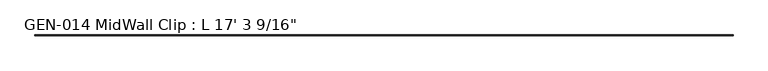
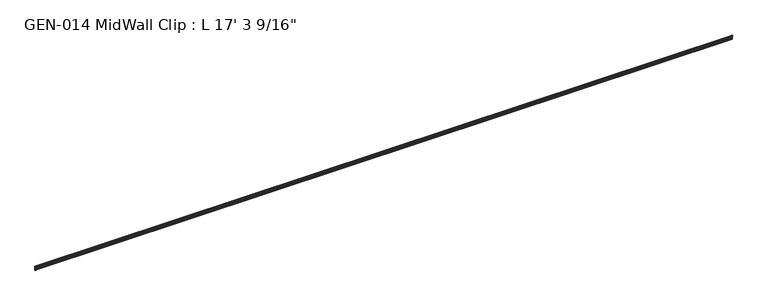
"""IFC4 building model written with IfcOpenShell, lengths in millimetres: proxy geometry."""

from ifc_helpers import new_model, si_unit, point, frame, frame_2d, origin, place, context, project, spatial, polyline, circle_curve, trimmed, segment, composite_curve, outline, extrude, source, transform, mapped, element, save


def proxy_7d245b25(model_context):
    return source(origin(), model_context, "Body", "SweptSolid", [
        extrude(outline(composite_curve([segment(polyline([(2.1386113, 32.1158903), (3.9735584, 32.6885982)]), True, "CONTINUOUS"), segment(trimmed(circle_curve(frame_2d((4.1838513, 32.2686835)), 0.4696291), [point((3.9735584, 32.6885982))], [point((4.6534804, 32.2686835))], False, "CARTESIAN"), True, "CONTINUOUS"), segment(polyline([(4.6534804, 32.2686835), (4.6534804, 30.7270734)]), True, "CONTINUOUS"), segment(trimmed(circle_curve(frame_2d((6.2409804, 30.7270734)), 1.5875), [point((4.6534804, 30.7270734))], [point((6.2409804, 29.1395734))], True, "CARTESIAN"), True, "CONTINUOUS"), segment(polyline([(6.2409804, 29.1395734), (7.5485426, 29.1395734), (7.5485426, 0.0), (4.055874, 0.0), (4.055874, 1.6102595)]), True, "CONTINUOUS"), segment(trimmed(circle_curve(frame_2d((4.0560426, 3.5152595)), 1.905), [point((4.055874, 1.6102595))], [point((5.9610426, 3.5152595))], True, "CARTESIAN"), True, "CONTINUOUS"), segment(polyline([(5.9610426, 3.5152595), (5.9610426, 4.6343152), (5.9610426, 12.4909614), (6.4702065, 13.408381), (6.4702065, 14.7485418), (5.9610426, 15.6659614), (5.9610426, 26.8535734)]), True, "CONTINUOUS"), segment(trimmed(circle_curve(frame_2d((5.4530426, 26.8535734)), 0.508), [point((5.9610426, 26.8535734))], [point((5.4361592, 27.3612928))], True, "CARTESIAN"), True, "CONTINUOUS"), segment(trimmed(circle_curve(frame_2d((5.4154804, 26.5995734)), 0.762), [point((5.4361592, 27.3612928))], [point((4.6764599, 26.4138515))], True, "CARTESIAN"), True, "CONTINUOUS"), segment(trimmed(circle_curve(frame_2d((4.1230664, 26.2747792)), 0.5706009), [point((4.6764599, 26.4138515))], [point((3.9349539, 25.7360779))], False, "CARTESIAN"), True, "CONTINUOUS"), segment(polyline([(3.9349539, 25.7360779), (2.1386113, 26.2967369)]), True, "CONTINUOUS"), segment(trimmed(circle_curve(frame_2d((3.0467234, 29.2063136)), 3.048), [point((2.1386113, 26.2967369))], [point((0.4447727, 30.7938136))], False, "CARTESIAN"), True, "CONTINUOUS"), segment(trimmed(circle_curve(frame_2d((3.0467234, 29.2063136)), 3.048), [point((0.4447727, 30.7938136))], [point((2.1386113, 32.1158903))], False, "CARTESIAN"), True, "CONTINUOUS")], self_intersect=False)), frame((-4967.2875, 0.0, 0.0), z_axis=(1.0, 0.0, 0.0), x_axis=(0.0, 1.0, 0.0)), (0.0, 0.0, 1.0), 5272.0875),
    ])


if __name__ == "__main__":
    model = new_model("IFC4")
    model_context = context("Model", 3, world=origin())
    ifc_project = project(units=[si_unit("LENGTHUNIT", "METRE", prefix="MILLI")], contexts=[model_context])
    site = spatial("IfcSite", under=ifc_project)
    building = spatial("IfcBuilding", under=site)
    placement = place(None, origin())
    proxy_shape = proxy_7d245b25(model_context)
    element("IfcBuildingElementProxy", 1, Name="GEN-014 MidWall Clip : L 17' 3 9/16\"", ObjectType="GEN-014 MidWall Clip : L 17' 3 9/16\"", at=placement, inside=building, context=model_context, shape_type="MappedRepresentation", body=[
        mapped(proxy_shape, transform((0.0, 0.0, 0.0), x_axis=(1.0, 0.0, 0.0), y_axis=(0.0, 1.0, 0.0), z_axis=(0.0, 0.0, 1.0))),
    ])
    save(model, "model.ifc")
